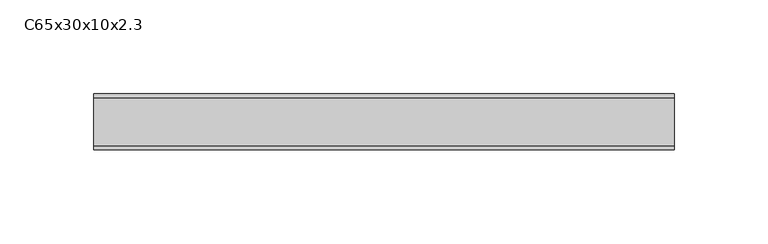
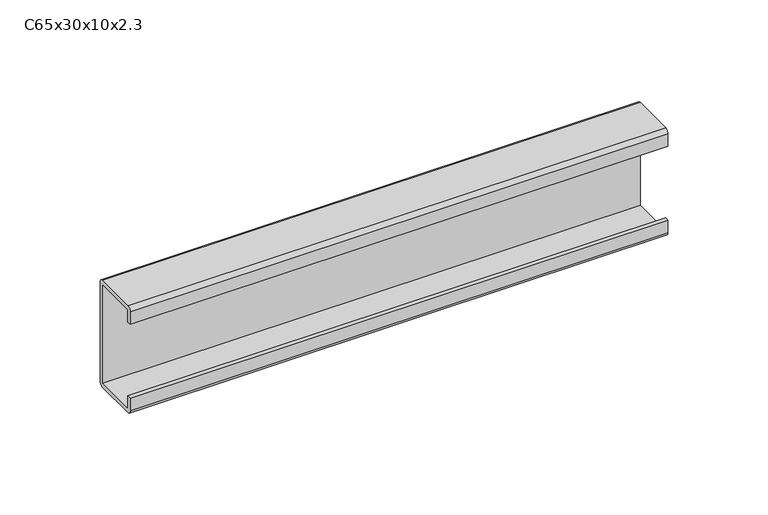
"""IFC4 building model written with IfcOpenShell, lengths in millimetres: proxy geometry, C65x30x10x2.3."""

from ifc_helpers import new_model, si_unit, point, frame, frame_2d, origin, place, context, project, spatial, polyline, circle_curve, trimmed, segment, composite_curve, outline, extrude, source, transform, mapped, element, save


def c65x30x10x2_3_e63cffc4(model_context):
    return source(origin(), model_context, "Body", "SweptSolid", [
        extrude(outline(composite_curve([segment(polyline([(-15.0, -10.0), (-15.0, -2.3)]), True, "CONTINUOUS"), segment(trimmed(circle_curve(frame_2d((-12.7, -2.3)), 2.3), [point((-15.0, -2.3))], [point((-12.7, 0.0))], False, "CARTESIAN"), True, "CONTINUOUS"), segment(polyline([(-12.7, 0.0), (12.7, 0.0)]), True, "CONTINUOUS"), segment(trimmed(circle_curve(frame_2d((12.7, -2.3)), 2.3), [point((12.7, 0.0))], [point((15.0, -2.3))], False, "CARTESIAN"), True, "CONTINUOUS"), segment(polyline([(15.0, -2.3), (15.0, -62.7)]), True, "CONTINUOUS"), segment(trimmed(circle_curve(frame_2d((12.7, -62.7)), 2.3), [point((15.0, -62.7))], [point((12.7, -65.0))], False, "CARTESIAN"), True, "CONTINUOUS"), segment(polyline([(12.7, -65.0), (-12.7, -65.0)]), True, "CONTINUOUS"), segment(trimmed(circle_curve(frame_2d((-12.7, -62.7)), 2.3), [point((-12.7, -65.0))], [point((-15.0, -62.7))], False, "CARTESIAN"), True, "CONTINUOUS"), segment(polyline([(-15.0, -62.7), (-15.0, -55.0), (-12.7, -55.0), (-12.7, -62.7), (12.7, -62.7), (12.7, -2.3), (-12.7, -2.3), (-12.7, -10.0), (-15.0, -10.0)]), True, "CONTINUOUS")], self_intersect=False)), frame((0.0, 0.0, 0.0), z_axis=(1.0, 0.0, 0.0), x_axis=(0.0, 1.0, 0.0)), (0.0, 0.0, 1.0), 310.0),
    ])


if __name__ == "__main__":
    model = new_model("IFC4")
    model_context = context("Model", 3, world=origin())
    ifc_project = project(units=[si_unit("LENGTHUNIT", "METRE", prefix="MILLI")], contexts=[model_context])
    site = spatial("IfcSite", under=ifc_project)
    building = spatial("IfcBuilding", under=site)
    placement = place(None, origin())
    c65x30x10x2_3_shape = c65x30x10x2_3_e63cffc4(model_context)
    element("IfcBuildingElementProxy", 1, Name="C65x30x10x2.3", ObjectType="C65x30x10x2.3", at=placement, inside=building, context=model_context, shape_type="MappedRepresentation", body=[
        mapped(c65x30x10x2_3_shape, transform((0.0, 0.0, 0.0), x_axis=(1.0, 0.0, 0.0), y_axis=(0.0, 1.0, 0.0), z_axis=(0.0, 0.0, 1.0))),
    ])
    save(model, "model.ifc")
